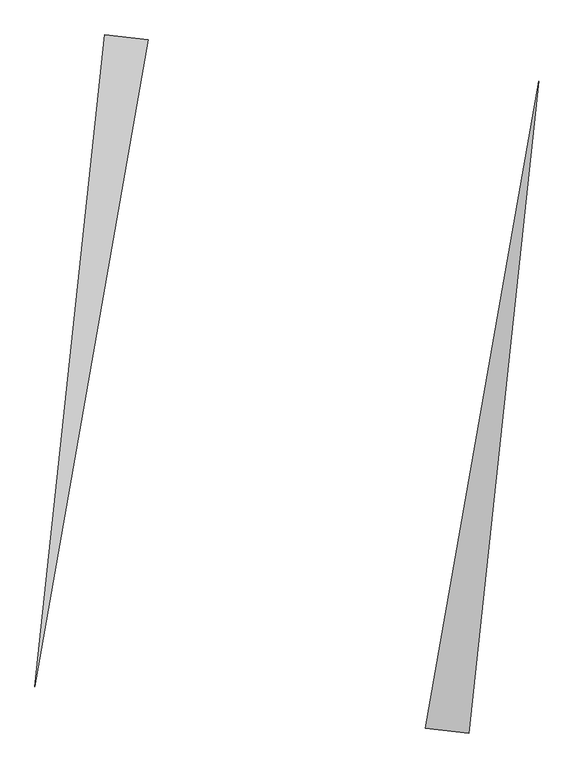
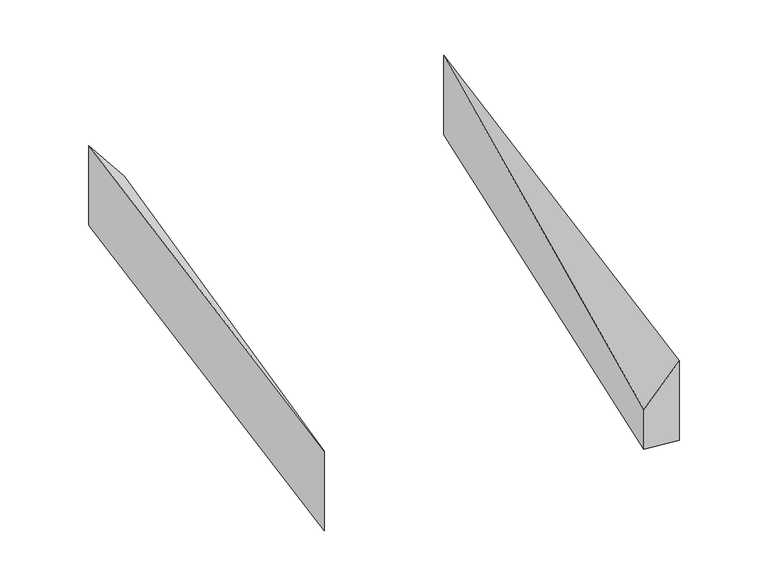
"""IFC4 building model written with IfcOpenShell, lengths in millimetres: proxy geometry."""

from ifc_helpers import new_model, si_unit, origin, place, context, project, spatial, faceted_brep, source, transform, mapped, element, save


def generic_models_d1864886(model_context):
    return source(origin(), model_context, "Body", "Brep", [
        faceted_brep([(-1271.2952754, 3153.3804596, 0.0), (-1669.0189369, 3195.993709, 0.0), (-1669.0189369, 3195.993709, 1000.0), (-1271.2952754, 3153.3804596, 500.0), (-2308.2176787, -2769.8612145, 0.0), (-2308.2176787, -2769.8612145, 1000.0)], [[[0, 1, 2, 3]], [[1, 4, 5, 2]], [[4, 0, 3, 5]], [[3, 2, 5]], [[0, 4, 1]]]),
        faceted_brep([(1669.0189369, -3195.993709, 0.0), (2308.2176787, 2769.8612145, 0.0), (2308.2176787, 2769.8612145, 1000.0), (1669.0189369, -3195.993709, 1000.0), (1271.2952754, -3153.3804596, 0.0), (1271.2952754, -3153.3804596, 500.0)], [[[0, 1, 2, 3]], [[1, 4, 5, 2]], [[4, 0, 3, 5]], [[2, 5, 3]], [[0, 4, 1]]]),
    ])


if __name__ == "__main__":
    model = new_model("IFC4")
    model_context = context("Model", 3, world=origin())
    ifc_project = project(units=[si_unit("LENGTHUNIT", "METRE", prefix="MILLI")], contexts=[model_context])
    site = spatial("IfcSite", under=ifc_project)
    building = spatial("IfcBuilding", under=site)
    placement = place(None, origin())
    generic_models_shape = generic_models_d1864886(model_context)
    element("IfcBuildingElementProxy", 1, Name="Generic Models", at=placement, inside=building, context=model_context, shape_type="MappedRepresentation", body=[
        mapped(generic_models_shape, transform((0.0, 0.0, 0.0), x_axis=(1.0, 0.0, 0.0), y_axis=(0.0, 1.0, 0.0), z_axis=(0.0, 0.0, 1.0))),
    ])
    save(model, "model.ifc")
